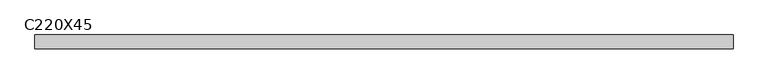
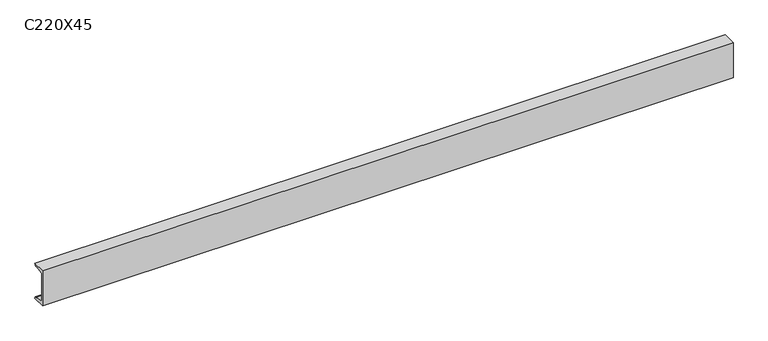
"""IFC4 building model written with IfcOpenShell, lengths in millimetres: beam geometry, C220X45."""

from ifc_helpers import new_model, si_unit, point, frame, frame_2d, origin, place, context, project, spatial, polyline, circle_curve, trimmed, segment, composite_curve, outline, extrude, source, transform, mapped, element, save


def c220x45_d36db11e(model_context):
    return source(origin(), model_context, "Body", "SweptSolid", [
        extrude(outline(composite_curve([segment(polyline([(-17.0, 110.0), (64.0, 110.0)]), True, "CONTINUOUS"), segment(trimmed(circle_curve(frame_2d((51.0, 110.0)), 13.0), [point((64.0, 110.0))], [point((51.0, 97.0))], False, "CARTESIAN"), True, "CONTINUOUS"), segment(polyline([(51.0, 97.0), (-4.0, 88.2888558), (-4.0, -88.2888558), (51.0, -97.0)]), True, "CONTINUOUS"), segment(trimmed(circle_curve(frame_2d((51.0, -110.0)), 13.0), [point((51.0, -97.0))], [point((64.0, -110.0))], False, "CARTESIAN"), True, "CONTINUOUS"), segment(polyline([(64.0, -110.0), (-17.0, -110.0), (-17.0, 110.0)]), True, "CONTINUOUS")], self_intersect=False)), frame((-2050.5, 0.0, 0.0), z_axis=(1.0, 0.0, 0.0), x_axis=(0.0, 1.0, 0.0)), (0.0, 0.0, 1.0), 4101.0),
    ])


if __name__ == "__main__":
    model = new_model("IFC4")
    model_context = context("Model", 3, world=origin())
    ifc_project = project(units=[si_unit("LENGTHUNIT", "METRE", prefix="MILLI")], contexts=[model_context])
    site = spatial("IfcSite", under=ifc_project)
    building = spatial("IfcBuilding", under=site)
    placement = place(None, origin())
    c220x45_shape = c220x45_d36db11e(model_context)
    element("IfcBeam", 1, ObjectType="C220X45", at=placement, inside=building, context=model_context, shape_type="MappedRepresentation", body=[
        mapped(c220x45_shape, transform((0.0, 0.0, 0.0), x_axis=(1.0, 0.0, 0.0), y_axis=(0.0, 1.0, 0.0), z_axis=(0.0, 0.0, 1.0))),
    ])
    save(model, "model.ifc")
